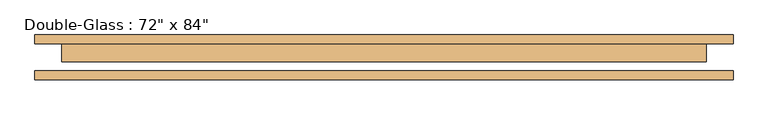
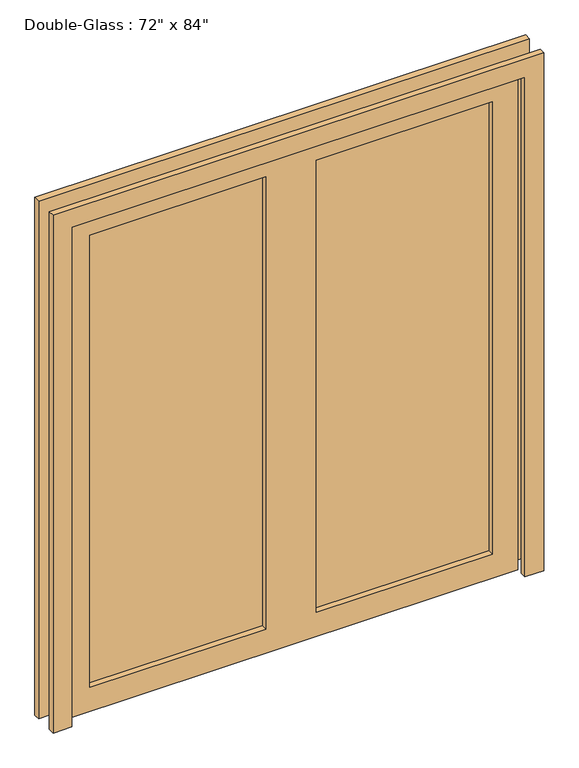
"""IFC4 building model written with IfcOpenShell, lengths in millimetres: door geometry."""

from ifc_helpers import new_model, si_unit, frame, origin, place, context, project, spatial, polyline, outline, extrude, source, transform, mapped, element, save


def door_83006735(model_context):
    return source(origin(), model_context, "Body", "SweptSolid", [
        extrude(outline(polyline([(0.0, 990.6), (2209.8, 990.6), (2209.8, -990.6), (0.0, -990.6), (0.0, -914.4), (2133.6, -914.4), (2133.6, 914.4), (0.0, 914.4), (0.0, 990.6)])), frame((0.0, -61.11875, 0.0), z_axis=(0.0, 1.0, 0.0), x_axis=(0.0, 0.0, 1.0)), (0.0, 0.0, 1.0), 25.4),
        extrude(outline(polyline([(2133.6, 914.4), (0.0, 914.4), (0.0, 990.6), (2209.8, 990.6), (2209.8, -990.6), (0.0, -990.6), (0.0, -914.4), (2133.6, -914.4), (2133.6, 914.4)])), frame((0.0, 40.48125, 0.0), z_axis=(0.0, 1.0, 0.0), x_axis=(0.0, 0.0, 1.0)), (0.0, 0.0, 1.0), 25.4),
        extrude(outline(polyline([(812.8, 15.08125), (101.6, 15.08125), (101.6, 22.225), (812.8, 22.225), (812.8, 15.08125)])), frame((0.0, 0.0, 101.6), z_axis=(0.0, 0.0, 1.0), x_axis=(1.0, 0.0, 0.0)), (0.0, 0.0, 1.0), 1930.4),
        extrude(outline(polyline([(-101.6, 15.08125), (-812.8, 15.08125), (-812.8, 22.225), (-101.6, 22.225), (-101.6, 15.08125)])), frame((0.0, 0.0, 101.6), z_axis=(0.0, 0.0, 1.0), x_axis=(1.0, 0.0, 0.0)), (0.0, 0.0, 1.0), 1930.4),
        extrude(outline(polyline([(2133.6, 914.4), (2133.6, -914.4), (0.0, -914.4), (0.0, 914.4), (2133.6, 914.4)]), holes=[polyline([(2032.0, -101.6), (101.6, -101.6), (101.6, -812.8), (2032.0, -812.8), (2032.0, -101.6)]), polyline([(2032.0, 812.8), (101.6, 812.8), (101.6, 101.6), (2032.0, 101.6), (2032.0, 812.8)])]), frame((0.0, -10.31875, 0.0), z_axis=(0.0, 1.0, 0.0), x_axis=(0.0, 0.0, 1.0)), (0.0, 0.0, 1.0), 50.8),
    ])


if __name__ == "__main__":
    model = new_model("IFC4")
    model_context = context("Model", 3, world=origin())
    ifc_project = project(units=[si_unit("LENGTHUNIT", "METRE", prefix="MILLI")], contexts=[model_context])
    site = spatial("IfcSite", under=ifc_project)
    building = spatial("IfcBuilding", under=site)
    placement = place(None, origin())
    door_shape = door_83006735(model_context)
    element("IfcDoor", 1, ObjectType="Double-Glass : 72\" x 84\"", at=placement, inside=building, context=model_context, shape_type="MappedRepresentation", body=[
        mapped(door_shape, transform((0.0, 0.0, 0.0), x_axis=(1.0, 0.0, 0.0), y_axis=(0.0, 1.0, 0.0), z_axis=(0.0, 0.0, 1.0))),
    ])
    save(model, "model.ifc")
